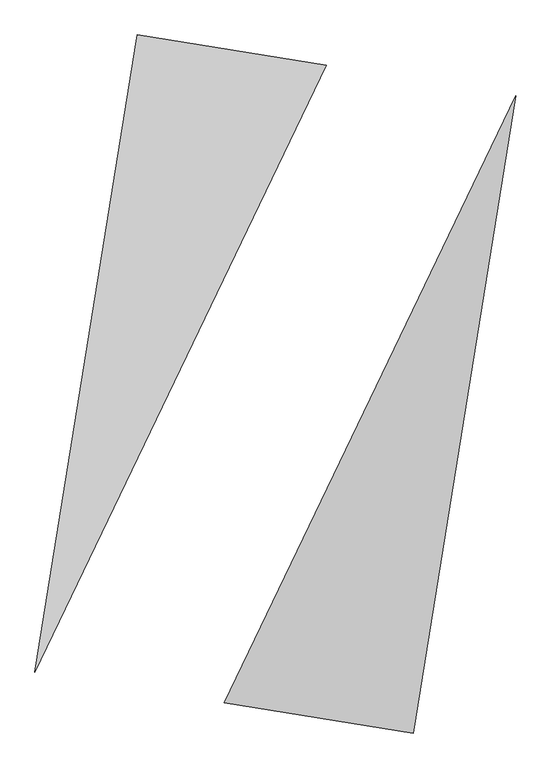
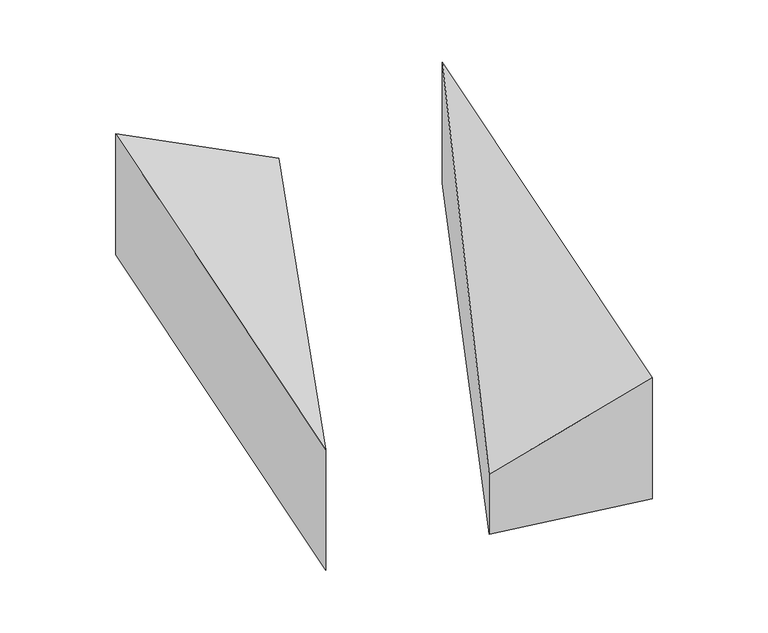
"""IFC4 building model written with IfcOpenShell, lengths in millimetres: proxy geometry."""

from ifc_helpers import new_model, si_unit, origin, place, context, project, spatial, faceted_brep, source, transform, mapped, element, save


def generic_models_addc66c9(model_context):
    return source(origin(), model_context, "Body", "Brep", [
        faceted_brep([(316.517716, 1974.7953148, 0.0), (-856.0170022, 2162.7277087, 0.0), (-856.0170022, 2162.7277087, 1000.0), (316.517716, 1974.7953148, 500.0), (-1489.0524341, -1786.862921, 0.0), (-1489.0524341, -1786.862921, 1000.0)], [[[0, 1, 2, 3]], [[1, 4, 5, 2]], [[4, 0, 3, 5]], [[3, 2, 5]], [[0, 4, 1]]]),
        faceted_brep([(856.0170022, -2162.7277087, 0.0), (1489.0524341, 1786.862921, 0.0), (1489.0524341, 1786.862921, 1000.0), (856.0170022, -2162.7277087, 1000.0), (-316.517716, -1974.7953148, 0.0), (-316.517716, -1974.7953148, 500.0)], [[[0, 1, 2, 3]], [[1, 4, 5, 2]], [[4, 0, 3, 5]], [[2, 5, 3]], [[0, 4, 1]]]),
    ])


if __name__ == "__main__":
    model = new_model("IFC4")
    model_context = context("Model", 3, world=origin())
    ifc_project = project(units=[si_unit("LENGTHUNIT", "METRE", prefix="MILLI")], contexts=[model_context])
    site = spatial("IfcSite", under=ifc_project)
    building = spatial("IfcBuilding", under=site)
    placement = place(None, origin())
    generic_models_shape = generic_models_addc66c9(model_context)
    element("IfcBuildingElementProxy", 1, Name="Generic Models", at=placement, inside=building, context=model_context, shape_type="MappedRepresentation", body=[
        mapped(generic_models_shape, transform((0.0, 0.0, 0.0), x_axis=(1.0, 0.0, 0.0), y_axis=(0.0, 1.0, 0.0), z_axis=(0.0, 0.0, 1.0))),
    ])
    save(model, "model.ifc")
